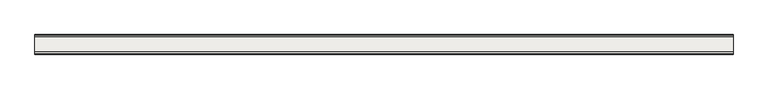
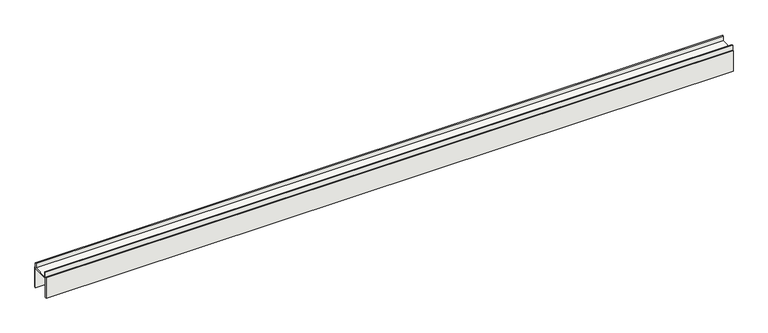
"""IFC4 building model written with IfcOpenShell, lengths in millimetres: covering geometry."""

from ifc_helpers import new_model, si_unit, frame, origin, place, context, project, spatial, polyline, outline, extrude, source, transform, mapped, element, save


def covering_bcf445dc(model_context):
    return source(origin(), model_context, "Body", "SweptSolid", [
        extrude(outline(polyline([(-19.0, 0.0), (-19.0, 42.0), (-17.0, 42.0), (-17.0, 52.0), (-15.0, 52.0), (-15.0, 42.0), (15.0, 42.0), (15.0, 52.0), (17.0, 52.0), (17.0, 42.0), (19.0, 42.0), (19.0, 0.0), (17.0, 0.0), (17.0, 40.0), (-17.0, 40.0), (-17.0, 0.0), (-19.0, 0.0)])), frame((0.0, 0.0, 0.0), z_axis=(1.0, 0.0, 0.0), x_axis=(0.0, 1.0, 0.0)), (0.0, 0.0, 1.0), 1350.0),
    ])


if __name__ == "__main__":
    model = new_model("IFC4")
    model_context = context("Model", 3, world=origin())
    ifc_project = project(units=[si_unit("LENGTHUNIT", "METRE", prefix="MILLI")], contexts=[model_context])
    site = spatial("IfcSite", under=ifc_project)
    building = spatial("IfcBuilding", under=site)
    placement = place(None, origin())
    covering_shape = covering_bcf445dc(model_context)
    element("IfcCovering", 1, at=placement, inside=building, context=model_context, shape_type="MappedRepresentation", body=[
        mapped(covering_shape, transform((0.0, 0.0, 0.0), x_axis=(1.0, 0.0, 0.0), y_axis=(0.0, 1.0, 0.0), z_axis=(0.0, 0.0, 1.0))),
    ])
    save(model, "model.ifc")
